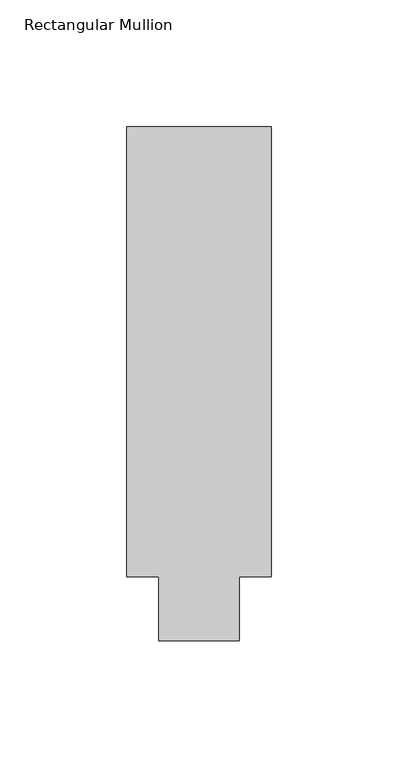
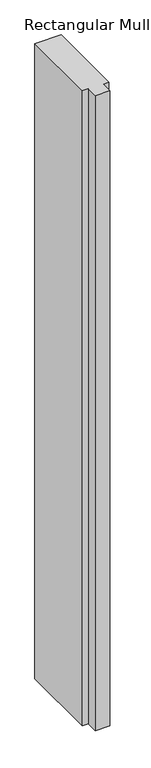
"""IFC4 building model written with IfcOpenShell, lengths in millimetres: member geometry, Rectangular Mullion."""

import ifcopenshell
import ifcopenshell.guid

model = None  # the IFC model being written
_history = None  # IfcOwnerHistory: only IFC2X3 demands one
_inside = {}  # id of a spatial element -> (the spatial element, [elements in it])
_under = {}  # id of a project, library or spatial element -> (it, [spatial elements below it])
_declared = {}  # id of a project -> (the project, [libraries it declares])
_typed = {}  # id of a type object -> (the type object, [elements of that type])
_made_of = {}  # id of a material, layer set ... -> (it, [elements and type objects made of it])


def new_model(schema):
    """Start an empty IFC model of exactly this schema.

    Asked for "IFC4X3", IfcOpenShell would pick the latest addendum, in which some entities
    have other attributes; the version numbers below select the first issue.
    IFC2X3 requires an IfcOwnerHistory on every rooted entity: one is made here for all.
    """
    global model, _history
    if schema == "IFC4X3":
        model = ifcopenshell.file(schema_version=(4, 3, 0, 0))
    else:
        model = ifcopenshell.file(schema=schema)
    _inside.clear()
    _under.clear()
    _declared.clear()
    _typed.clear()
    _made_of.clear()
    _history = None
    if model.schema == "IFC2X3":
        org = make("IfcOrganization", Name="unknown")
        user = make(
            "IfcPersonAndOrganization",
            ThePerson=make("IfcPerson", FamilyName="unknown"),
            TheOrganization=org,
        )
        app = make(
            "IfcApplication",
            ApplicationDeveloper=org,
            Version="unknown",
            ApplicationFullName="unknown",
            ApplicationIdentifier="unknown",
        )
        _history = make(
            "IfcOwnerHistory",
            OwningUser=user,
            OwningApplication=app,
            ChangeAction="ADDED",
            CreationDate=0,
        )
    return model


def make(cls, **values):
    """One entity of the class cls with the attributes given. An attribute that is None is left unset."""
    return model.create_entity(
        cls, **{name: value for name, value in values.items() if value is not None}
    )


def rooted(cls, **values):
    """An entity with a GlobalId (a new one), such as an element, a storey or a relation."""
    return make(cls, GlobalId=ifcopenshell.guid.new(), OwnerHistory=_history, **values)


def si_unit(unit_type, name, prefix=None):
    """IfcSIUnit, for example si_unit("LENGTHUNIT", "METRE", prefix="MILLI")."""
    return make("IfcSIUnit", UnitType=unit_type, Prefix=prefix, Name=name)


def assignment(units):
    """IfcUnitAssignment: the units of a project."""
    return None if units is None else make("IfcUnitAssignment", Units=units)


def point(xyz):
    """IfcCartesianPoint."""
    return None if xyz is None else make("IfcCartesianPoint", Coordinates=xyz)


def direction(xyz):
    """IfcDirection."""
    return None if xyz is None else make("IfcDirection", DirectionRatios=xyz)


def frame(location, z_axis=None, x_axis=None):
    """IfcAxis2Placement3D, a coordinate frame: its origin and axes. An axis left out is left unset."""
    return make(
        "IfcAxis2Placement3D",
        Location=point(location),
        Axis=direction(z_axis),
        RefDirection=direction(x_axis),
    )


def origin():
    """The frame at (0, 0, 0) with its axes left unset."""
    return frame((0.0, 0.0, 0.0))


def place(relative_to, where):
    """IfcLocalPlacement: puts the frame where relative to a parent placement (None: the world)."""
    return make(
        "IfcLocalPlacement", PlacementRelTo=relative_to, RelativePlacement=where
    )


def context(
    kind, dimensions, precision=None, world=None, true_north=None, identifier=None
):
    """IfcGeometricRepresentationContext, for example the 3D "Model" context."""
    return make(
        "IfcGeometricRepresentationContext",
        ContextIdentifier=identifier,
        ContextType=kind,
        CoordinateSpaceDimension=dimensions,
        Precision=precision,
        WorldCoordinateSystem=world,
        TrueNorth=true_north,
    )


def project(units=None, contexts=None):
    """IfcProject with its units and contexts."""
    return rooted(
        "IfcProject",
        Name="project",
        RepresentationContexts=contexts,
        UnitsInContext=assignment(units),
    )


def spatial(cls, under=None, at=None, **own):
    """A site, building, storey or space (cls), placed at a placement, below another one or the project."""
    s = rooted(cls, ObjectPlacement=at, **own)
    if under is not None:
        _under.setdefault(under.id(), (under, []))[1].append(s)
    return s


def polyline(points):
    """IfcPolyline through the points."""
    return make("IfcPolyline", Points=[point(p) for p in points])


def outline(outer, holes=None, kind="AREA"):
    """IfcArbitraryClosedProfileDef: a profile drawn as a closed curve; with holes, ...WithVoids."""
    if holes is None:
        return make("IfcArbitraryClosedProfileDef", ProfileType=kind, OuterCurve=outer)
    return make(
        "IfcArbitraryProfileDefWithVoids",
        ProfileType=kind,
        OuterCurve=outer,
        InnerCurves=holes,
    )


def extrude(swept, where, along, depth):
    """IfcExtrudedAreaSolid: the profile swept, set in the frame where, extruded along a direction by depth."""
    return make(
        "IfcExtrudedAreaSolid",
        SweptArea=swept,
        Position=where,
        ExtrudedDirection=direction(along),
        Depth=depth,
    )


def shape(context_of_items, identifier, shape_type, items):
    """IfcShapeRepresentation: the items that make up one representation, for example the "Body"."""
    return make(
        "IfcShapeRepresentation",
        ContextOfItems=context_of_items,
        RepresentationIdentifier=identifier,
        RepresentationType=shape_type,
        Items=items,
    )


def source(mapping_origin, context_of_items, identifier, shape_type, items):
    """IfcRepresentationMap: a shape defined once, which mapped items show again and again."""
    return make(
        "IfcRepresentationMap",
        MappingOrigin=mapping_origin,
        MappedRepresentation=shape(context_of_items, identifier, shape_type, items),
    )


def transform(
    local_origin,
    x_axis=None,
    y_axis=None,
    z_axis=None,
    scale=None,
    scale2=None,
    scale3=None,
    uniform=True,
):
    """IfcCartesianTransformationOperator3D, or its non-uniform kind. x_axis, y_axis, z_axis: its Axis1, 2, 3."""
    if uniform:
        return make(
            "IfcCartesianTransformationOperator3D",
            Axis1=direction(x_axis),
            Axis2=direction(y_axis),
            LocalOrigin=point(local_origin),
            Scale=scale,
            Axis3=direction(z_axis),
        )
    return make(
        "IfcCartesianTransformationOperator3DnonUniform",
        Axis1=direction(x_axis),
        Axis2=direction(y_axis),
        LocalOrigin=point(local_origin),
        Scale=scale,
        Axis3=direction(z_axis),
        Scale2=scale2,
        Scale3=scale3,
    )


def mapped(mapping_source, mapping_target):
    """IfcMappedItem: shows the shape of a source again, moved by a transform."""
    return make(
        "IfcMappedItem", MappingSource=mapping_source, MappingTarget=mapping_target
    )


def made_of(thing, what):
    """Note that an element or type object is made of a material, layer set ...; save() writes the relation."""
    if what is not None:
        _made_of.setdefault(what.id(), (what, []))[1].append(thing)
    return thing


def element(
    cls,
    number,
    at=None,
    inside=None,
    cuts=None,
    type_object=None,
    material=None,
    context=None,
    identifier="Body",
    shape_type=None,
    held_by="IfcProductDefinitionShape",
    body=None,
    shapes=None,
    **own,
):
    """One element of the class cls, such as IfcWall. Its Tag is "e" and its number.

    at: its placement. inside: the storey or other place that contains it. cuts: it is an
    opening in that element (IfcRelVoidsElement). A single representation is given by context,
    identifier, shape_type and body (its items); several are given by shapes. held_by: the class
    of the entity that holds the representations. save() writes the other relations.
    """
    e = rooted(cls, Tag="e%d" % number, ObjectPlacement=at, **own)
    if body is not None:
        shapes = [shape(context, identifier, shape_type, body)]
    if shapes is not None:
        e.Representation = make(held_by, Representations=shapes)
    if inside is not None:
        _inside.setdefault(inside.id(), (inside, []))[1].append(e)
    if cuts is not None:
        rooted(
            "IfcRelVoidsElement", RelatingBuildingElement=cuts, RelatedOpeningElement=e
        )
    if type_object is not None:
        _typed.setdefault(type_object.id(), (type_object, []))[1].append(e)
    return made_of(e, material)


def aggregate(whole, parts):
    """IfcRelAggregates: a whole, such as a stair, and the parts it consists of."""
    return rooted("IfcRelAggregates", RelatingObject=whole, RelatedObjects=parts)


def save(model, path):
    """Write the relations noted so far, then the file.

    IfcRelAggregates (storeys below a building ...), IfcRelContainedInSpatialStructure (elements
    in a storey), IfcRelDefinesByType, IfcRelAssociatesMaterial and IfcRelDeclares: one each for
    every whole, place, type object, material and project.
    """
    for whole, parts in _under.values():
        aggregate(whole, parts)
    for where, things in _inside.values():
        rooted(
            "IfcRelContainedInSpatialStructure",
            RelatedElements=things,
            RelatingStructure=where,
        )
    for kind, things in _typed.values():
        rooted("IfcRelDefinesByType", RelatedObjects=things, RelatingType=kind)
    for what, things in _made_of.values():
        rooted("IfcRelAssociatesMaterial", RelatedObjects=things, RelatingMaterial=what)
    for by, libraries in _declared.values():
        rooted("IfcRelDeclares", RelatingContext=by, RelatedDefinitions=libraries)
    model.write(path)


def rectangular_mullion_e6ea8e61(model_context):
    return source(origin(), model_context, "Body", "SweptSolid", [
        extrude(outline(polyline([(32.9094027, 190.5), (32.9094027, 12.7), (20.2076322, 12.7), (20.2076322, -12.7), (-11.5405973, -12.7), (-11.5405973, 12.7), (-24.2405973, 12.7), (-24.2405973, 190.5), (32.9094027, 190.5)])), frame((0.0, 0.0, -1449.9166667), z_axis=(0.0, 0.0, 1.0), x_axis=(1.0, 0.0, 0.0)), (0.0, 0.0, 1.0), 1449.9166667),
    ])


if __name__ == "__main__":
    model = new_model("IFC4")
    model_context = context("Model", 3, world=origin())
    ifc_project = project(units=[si_unit("LENGTHUNIT", "METRE", prefix="MILLI")], contexts=[model_context])
    site = spatial("IfcSite", under=ifc_project)
    building = spatial("IfcBuilding", under=site)
    placement = place(None, origin())
    rectangular_mullion_shape = rectangular_mullion_e6ea8e61(model_context)
    element("IfcMember", 1, ObjectType="Rectangular Mullion", at=placement, inside=building, context=model_context, shape_type="MappedRepresentation", body=[
        mapped(rectangular_mullion_shape, transform((0.0, 0.0, 0.0), x_axis=(1.0, 0.0, 0.0), y_axis=(0.0, 1.0, 0.0), z_axis=(0.0, 0.0, 1.0))),
    ])
    save(model, "model.ifc")
